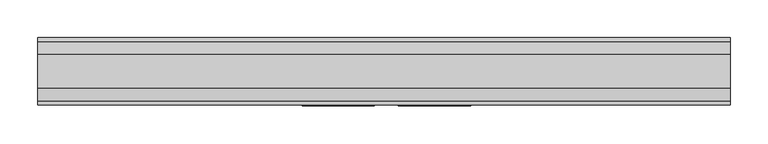
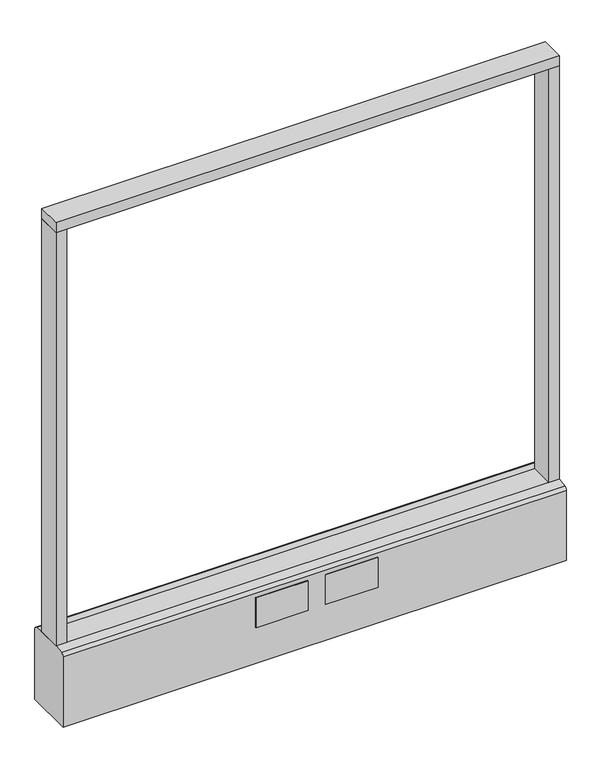
"""IFC4 building model written with IfcOpenShell, lengths in millimetres: furniture geometry."""

from ifc_helpers import new_model, si_unit, point, frame, frame_2d, origin, origin_with_axes, place, context, project, spatial, polyline, circle_curve, trimmed, segment, composite_curve, outline, extrude, source, transform, mapped, element, save


def furniture_3011239f(model_context):
    return source(origin(), model_context, "Body", "SweptSolid", [
        extrude(outline(polyline([(457.2, -22.225), (-457.2, -22.225), (-457.2, 22.225), (457.2, 22.225), (457.2, -22.225)])), frame((0.0, 0.0, 946.15), z_axis=(0.0, 0.0, 1.0), x_axis=(1.0, 0.0, 0.0)), (0.0, 0.0, 1.0), 19.05),
        extrude(outline(composite_curve([segment(trimmed(circle_curve(frame_2d((-381.0, 0.0)), 23.415625), [point((-404.415625, 0.0))], [point((-357.584375, 0.0))], False, "CARTESIAN"), True, "CONTINUOUS"), segment(trimmed(circle_curve(frame_2d((-381.0, 0.0)), 23.415625), [point((-357.584375, 0.0))], [point((-404.415625, 0.0))], False, "CARTESIAN"), True, "CONTINUOUS")], self_intersect=False)), origin_with_axes(), (0.0, 0.0, 1.0), 6.35),
        extrude(outline(composite_curve([segment(trimmed(circle_curve(frame_2d((381.0, 0.0)), 23.415625), [point((357.584375, 0.0))], [point((404.415625, 0.0))], False, "CARTESIAN"), True, "CONTINUOUS"), segment(trimmed(circle_curve(frame_2d((381.0, 0.0)), 23.415625), [point((404.415625, 0.0))], [point((357.584375, 0.0))], False, "CARTESIAN"), True, "CONTINUOUS")], self_intersect=False)), origin_with_axes(), (0.0, 0.0, 1.0), 6.35),
        extrude(outline(polyline([(-438.1500091, -22.225), (-457.2, -22.225), (-457.2, 22.225), (-438.1500091, 22.225), (-438.1500091, -22.225)])), frame((0.0, 0.0, 152.4), z_axis=(0.0, 0.0, 1.0), x_axis=(1.0, 0.0, 0.0)), (0.0, 0.0, 1.0), 793.75),
        extrude(outline(polyline([(457.2, -22.225), (438.1500091, -22.225), (438.1500091, 22.225), (457.2, 22.225), (457.2, -22.225)])), frame((0.0, 0.0, 152.4), z_axis=(0.0, 0.0, 1.0), x_axis=(1.0, 0.0, 0.0)), (0.0, 0.0, 1.0), 793.75),
        extrude(outline(composite_curve([segment(polyline([(-22.225, 152.4), (22.225, 152.4), (39.43219, 149.94183)]), True, "CONTINUOUS"), segment(trimmed(circle_curve(frame_2d((38.605678, 144.1562464)), 5.844322), [point((39.43219, 149.94183))], [point((44.45, 144.1562464))], False, "CARTESIAN"), True, "CONTINUOUS"), segment(polyline([(44.45, 144.1562464), (44.45, 9.525), (-44.4433083, 9.525), (-44.4433083, 144.1572033)]), True, "CONTINUOUS"), segment(trimmed(circle_curve(frame_2d((-38.5989863, 144.1572033)), 5.844322), [point((-44.4433083, 144.1572033))], [point((-39.4222979, 149.9432432))], False, "CARTESIAN"), True, "CONTINUOUS"), segment(polyline([(-39.4222979, 149.9432432), (-22.225, 152.4)]), True, "CONTINUOUS")], self_intersect=False)), frame((-457.2, 0.0, 0.0), z_axis=(1.0, 0.0, 0.0), x_axis=(0.0, 1.0, 0.0)), (0.0, 0.0, 1.0), 914.4),
        extrude(outline(polyline([(114.3, -46.0375), (19.05, -46.0375), (19.05, -44.45), (114.3, -44.45), (114.3, -46.0375)])), frame((0.0, 0.0, 79.1718), z_axis=(0.0, 0.0, 1.0), x_axis=(1.0, 0.0, 0.0)), (0.0, 0.0, 1.0), 57.15),
        extrude(outline(polyline([(-12.7, -46.0375), (-107.95, -46.0375), (-107.95, -44.45), (-12.7, -44.45), (-12.7, -46.0375)])), frame((0.0, 0.0, 79.1718), z_axis=(0.0, 0.0, 1.0), x_axis=(1.0, 0.0, 0.0)), (0.0, 0.0, 1.0), 57.15),
        extrude(outline(composite_curve([segment(trimmed(circle_curve(frame_2d((-381.0, 0.0)), 5.55625), [point((-386.55625, 0.0))], [point((-375.44375, 0.0))], False, "CARTESIAN"), True, "CONTINUOUS"), segment(trimmed(circle_curve(frame_2d((-381.0, 0.0)), 5.55625), [point((-375.44375, 0.0))], [point((-386.55625, 0.0))], False, "CARTESIAN"), True, "CONTINUOUS")], self_intersect=False)), frame((0.0, 0.0, 6.35), z_axis=(0.0, 0.0, 1.0), x_axis=(1.0, 0.0, 0.0)), (0.0, 0.0, 1.0), 3.175),
        extrude(outline(composite_curve([segment(trimmed(circle_curve(frame_2d((381.0, 0.0)), 5.55625), [point((375.44375, 0.0))], [point((386.55625, 0.0))], False, "CARTESIAN"), True, "CONTINUOUS"), segment(trimmed(circle_curve(frame_2d((381.0, 0.0)), 5.55625), [point((386.55625, 0.0))], [point((375.44375, 0.0))], False, "CARTESIAN"), True, "CONTINUOUS")], self_intersect=False)), frame((0.0, 0.0, 6.35), z_axis=(0.0, 0.0, 1.0), x_axis=(1.0, 0.0, 0.0)), (0.0, 0.0, 1.0), 3.175),
    ])


if __name__ == "__main__":
    model = new_model("IFC4")
    model_context = context("Model", 3, world=origin())
    ifc_project = project(units=[si_unit("LENGTHUNIT", "METRE", prefix="MILLI")], contexts=[model_context])
    site = spatial("IfcSite", under=ifc_project)
    building = spatial("IfcBuilding", under=site)
    placement = place(None, origin())
    furniture_shape = furniture_3011239f(model_context)
    element("IfcFurniture", 1, at=placement, inside=building, context=model_context, shape_type="MappedRepresentation", body=[
        mapped(furniture_shape, transform((0.0, 0.0, 0.0), x_axis=(1.0, 0.0, 0.0), y_axis=(0.0, 1.0, 0.0), z_axis=(0.0, 0.0, 1.0))),
    ])
    save(model, "model.ifc")
